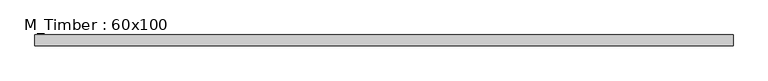
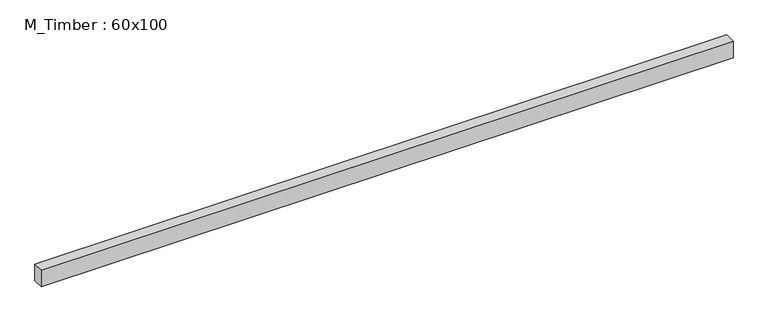
"""IFC4 building model written with IfcOpenShell, lengths in millimetres: beam geometry, M_Timber : 60x100."""

from ifc_helpers import new_model, si_unit, frame, origin, place, context, project, spatial, polyline, outline, extrude, source, transform, mapped, element, save


def m_timber_60x100_8704710d(model_context):
    return source(origin(), model_context, "Body", "SweptSolid", [
        extrude(outline(polyline([(1963.8124078, 30.0), (1963.8124078, -30.0), (-1944.8015988, -30.0), (-1944.8015988, 30.0), (1963.8124078, 30.0)])), frame((0.0, 0.0, -50.0), z_axis=(0.0, 0.0, 1.0), x_axis=(1.0, 0.0, 0.0)), (0.0, 0.0, 1.0), 100.0),
    ])


if __name__ == "__main__":
    model = new_model("IFC4")
    model_context = context("Model", 3, world=origin())
    ifc_project = project(units=[si_unit("LENGTHUNIT", "METRE", prefix="MILLI")], contexts=[model_context])
    site = spatial("IfcSite", under=ifc_project)
    building = spatial("IfcBuilding", under=site)
    placement = place(None, origin())
    m_timber_60x100_shape = m_timber_60x100_8704710d(model_context)
    element("IfcBeam", 1, ObjectType="M_Timber : 60x100", at=placement, inside=building, context=model_context, shape_type="MappedRepresentation", body=[
        mapped(m_timber_60x100_shape, transform((0.0, 0.0, 0.0), x_axis=(1.0, 0.0, 0.0), y_axis=(0.0, 1.0, 0.0), z_axis=(0.0, 0.0, 1.0))),
    ])
    save(model, "model.ifc")
